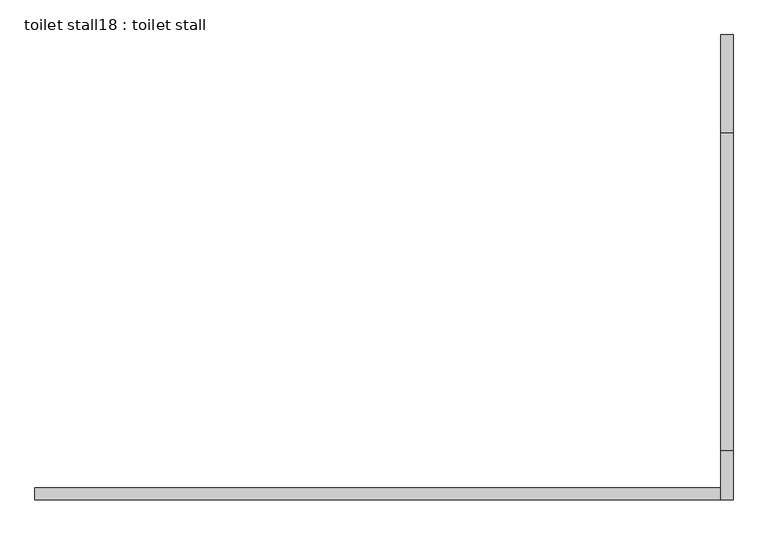
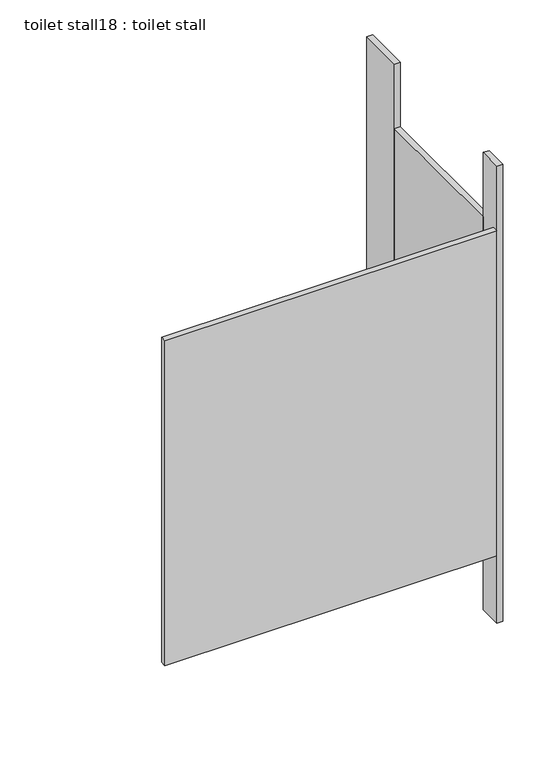
"""IFC4 building model written with IfcOpenShell, lengths in millimetres: proxy geometry, toilet stall18 : toilet stall."""

from ifc_helpers import new_model, si_unit, frame, origin, origin_with_axes, place, context, project, spatial, polyline, outline, extrude, source, transform, mapped, element, save


def toilet_stall18_toilet_stall_8f8f10b0(model_context):
    return source(origin(), model_context, "Body", "SweptSolid", [
        extrude(outline(polyline([(458207.8504676, -276822.6738632), (458207.8504676, -276619.4738632), (458233.2504676, -276619.4738632), (458233.2504676, -276822.6738632), (458207.8504676, -276822.6738632)])), origin_with_axes(), (0.0, 0.0, 1.0), 2070.1),
        extrude(outline(polyline([(458207.8504676, -277584.6738632), (458207.8504676, -277483.0738632), (458233.2504676, -277483.0738632), (458233.2504676, -277584.6738632), (458207.8504676, -277584.6738632)])), origin_with_axes(), (0.0, 0.0, 1.0), 2070.1),
        extrude(outline(polyline([(458207.8504676, -277584.6738632), (456785.4504676, -277584.6738632), (456785.4504676, -277559.2738632), (458207.8504676, -277559.2738632), (458207.8504676, -277584.6738632)])), frame((0.0, 0.0, 304.8), z_axis=(0.0, 0.0, 1.0), x_axis=(1.0, 0.0, 0.0)), (0.0, 0.0, 1.0), 1473.2),
        extrude(outline(polyline([(458207.8504676, -277483.0738632), (458207.8504676, -276822.6738632), (458233.2504676, -276822.6738632), (458233.2504676, -277483.0738632), (458207.8504676, -277483.0738632)])), frame((0.0, 0.0, 304.8), z_axis=(0.0, 0.0, 1.0), x_axis=(1.0, 0.0, 0.0)), (0.0, 0.0, 1.0), 1473.2),
    ])


if __name__ == "__main__":
    model = new_model("IFC4")
    model_context = context("Model", 3, world=origin())
    ifc_project = project(units=[si_unit("LENGTHUNIT", "METRE", prefix="MILLI")], contexts=[model_context])
    site = spatial("IfcSite", under=ifc_project)
    building = spatial("IfcBuilding", under=site)
    placement = place(None, origin())
    toilet_stall18_toilet_stall_shape = toilet_stall18_toilet_stall_8f8f10b0(model_context)
    element("IfcBuildingElementProxy", 1, Name="toilet stall18 : toilet stall", ObjectType="toilet stall18 : toilet stall", at=placement, inside=building, context=model_context, shape_type="MappedRepresentation", body=[
        mapped(toilet_stall18_toilet_stall_shape, transform((0.0, 0.0, 0.0), x_axis=(1.0, 0.0, 0.0), y_axis=(0.0, 1.0, 0.0), z_axis=(0.0, 0.0, 1.0))),
    ])
    save(model, "model.ifc")
